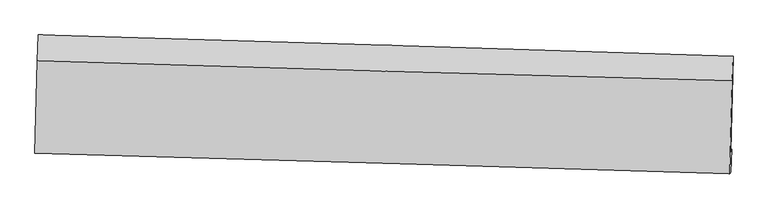
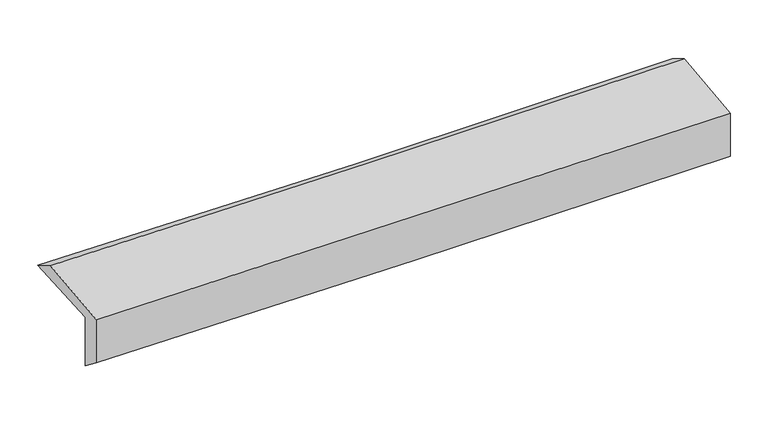
"""IFC4 building model written with IfcOpenShell, lengths in millimetres: proxy geometry."""

from ifc_helpers import new_model, si_unit, frame, origin, place, context, project, spatial, source, transform, mapped, element, save
from ifc_brep_helpers import plane_surface, spline_curve, spline_surface, advanced_brep


def generic_models_08730d0c(model_context):
    return source(origin(), model_context, "Body", "AdvancedBrep", [
        advanced_brep(
        [(-2436.6077254, -1726.2591066, 2005.451288), (-2419.8304472, -1056.5288244, 2019.6947916), (2421.8944584, -1204.9404752, 2110.0437126), (2404.6238811, -1869.7018367, 2095.8945971), (-2428.7899748, -1708.0698173, 1591.1746055), (2412.3478944, -1851.7306427, 1686.5852216), (-2435.1143746, -1869.5363495, 1716.1333873), (2405.9757823, -2013.0357674, 1806.2994406), (-2441.8746564, -1880.4324581, 2081.2945893), (2399.2662349, -2023.8578551, 2168.9759595), (-2426.3553519, -1237.645719, 2127.8029584), (2415.5083775, -1376.1195872, 2215.8544144)],
        [
            (0, 1),
            (1, 2, spline_curve(3, [(-2419.8304472, -1056.5288244, 2019.6947916), (-1609.260388813, -1078.722223896, 2022.457012417), (-798.84077925, -1102.242818824, 2031.423533621), (815.065069738, -1151.735007749, 2061.640995553), (1618.553762067, -1177.684963126, 2082.790781498), (2421.8944584, -1204.9404752, 2110.0437126)], [4, 2, 4], [0.0, 7.97998677166431, 15.894653220805038])),
            (2, 3),
            (3, 0, spline_curve(3, [(2404.6238811, -1869.7018367, 2095.8945971), (1601.319772951, -1845.049317276, 2068.588165755), (797.890220989, -1820.816887545, 2047.403718562), (-815.851568686, -1772.995681261, 2017.154481629), (-1626.165885716, -1749.413867871, 2008.191159002), (-2436.6077254, -1726.2591066, 2005.451288)], [4, 2, 4], [0.0, 7.914666449140729, 15.894653220805038])),
            (4, 0),
            (3, 5),
            (5, 4, spline_curve(3, [(2412.3478944, -1851.7306427, 1686.5852216), (1609.02801668, -1827.114813684, 1660.114445378), (805.598294977, -1802.882778758, 1638.938996024), (-808.11250753, -1754.989475962, 1607.047691161), (-1618.395408824, -1731.334569119, 1596.419601788), (-2428.7899748, -1708.0698173, 1591.1746055)], [4, 2, 4], [0.0, 7.914110497763972, 15.89353672974405])),
            (6, 4),
            (5, 7),
            (7, 6, spline_curve(3, [(2405.9757823, -2013.0357674, 1806.2994406), (1602.566824801, -1988.737966718, 1785.755396915), (799.09632353, -1964.678939722, 1767.988954174), (-814.599375615, -1916.841842781, 1737.887566615), (-1624.825593108, -1893.067730624, 1725.59865813), (-2435.1143746, -1869.5363495, 1716.1333873)], [4, 2, 4], [0.0, 7.913872902075213, 15.893059577471892])),
            (8, 6),
            (7, 9),
            (9, 8, spline_curve(3, [(2399.2662349, -2023.8578551, 2168.9759595), (1595.802807694, -1999.646585342, 2151.332495531), (792.300766654, -1975.637119372, 2135.227661169), (-821.412224, -1927.825309048, 2105.975036076), (-1631.623813008, -1904.026309309, 2092.852746908), (-2441.8746564, -1880.4324581, 2081.2945893)], [4, 2, 4], [0.0, 7.913666101288252, 15.89264426915591])),
            (10, 8),
            (9, 11),
            (11, 10, spline_curve(3, [(2415.5083775, -1376.1195872, 2215.8544144), (1611.882276876, -1354.400574072, 2198.028614997), (808.238822354, -1332.051600474, 2181.801651085), (-805.715466333, -1285.904085297, 2152.424666094), (-1616.026588268, -1262.095102927, 2139.301144865), (-2426.3553519, -1237.645719, 2127.8029584)], [4, 2, 4], [0.0, 7.9141266321441375, 15.893569131662602])),
            (1, 10),
            (11, 2),
        ],
        [
            spline_surface(3, 3, [[(-2436.6077254, -1726.2591066, 2005.451288), (-1626.165885611, -1749.413867944, 2008.191158959), (-815.851568704, -1772.995681388, 2017.154481565), (797.890221006, -1820.81688742, 2047.403718625), (1601.319772905, -1845.049317354, 2068.588165717), (2404.6238811, -1869.7018367, 2095.8945971)], [(-2431.015299336, -1503.015679211, 2010.199122556), (-1620.530720006, -1525.849986601, 2012.946443433), (-810.181305541, -1549.411393891, 2021.910832204), (803.615170582, -1597.78959421, 2052.149477611), (1607.064435931, -1622.594532594, 2073.322370966), (2410.380740188, -1648.114716202, 2100.610968939)], [(-2425.422873264, -1279.772251789, 2014.946957044), (-1614.895554392, -1302.286105225, 2017.701727839), (-804.511042394, -1325.827106337, 2026.667182898), (809.340120142, -1374.762300942, 2056.895236651), (1612.809098992, -1400.139747828, 2078.056576197), (2416.137599312, -1426.527595698, 2105.327340761)], [(-2419.8304472, -1056.5288244, 2019.6947916), (-1609.260388788, -1078.722223881, 2022.457012313), (-798.840779231, -1102.242818841, 2031.423533536), (815.065069718, -1151.735007732, 2061.640995636), (1618.553762018, -1177.684963068, 2082.790781446), (2421.8944584, -1204.9404752, 2110.0437126)]], [4, 4], [4, 2, 4], [0.0, 2.1991265024652], [0.0, 7.97998677166431, 15.894653220805038]),
            spline_surface(3, 3, [[(-2428.7899748, -1708.0698173, 1591.1746055), (-1618.395408841, -1731.334569027, 1596.419601876), (-808.112507529, -1754.989475916, 1607.047691171), (805.598294976, -1802.882778804, 1638.938996014), (1609.028016687, -1827.114813745, 1660.11444538), (2412.3478944, -1851.7306427, 1686.5852216)], [(-2431.39589166, -1714.132913717, 1729.266833005), (-1620.985567757, -1737.361001983, 1733.676787575), (-810.692194595, -1760.99154438, 1743.749954635), (803.028936979, -1808.860814982, 1775.09390355), (1606.458602092, -1833.092981608, 1796.272352145), (2409.773223299, -1857.721040693, 1823.021680086)], [(-2434.00180854, -1720.196010183, 1867.359060495), (-1623.575726694, -1743.387434989, 1870.93397326), (-813.271881638, -1766.993612924, 1880.452218101), (800.459579003, -1814.838851242, 1911.248811089), (1603.8891875, -1839.071149491, 1932.430258951), (2407.198552201, -1863.711438707, 1959.458138614)], [(-2436.6077254, -1726.2591066, 2005.451288), (-1626.165885611, -1749.413867944, 2008.191158959), (-815.851568704, -1772.995681388, 2017.154481565), (797.890221006, -1820.81688742, 2047.403718625), (1601.319772905, -1845.049317354, 2068.588165717), (2404.6238811, -1869.7018367, 2095.8945971)]], [4, 4], [4, 2, 4], [0.0, 1.3443558508908422], [0.0, 7.979426231980077, 15.89353672974405]),
            spline_surface(3, 3, [[(-2435.1143746, -1869.5363495, 1716.1333873), (-1624.825593116, -1893.067730542, 1725.598658106), (-814.599375508, -1916.841842858, 1737.887566511), (799.096323424, -1964.678939646, 1767.988954278), (1602.566824768, -1988.73796665, 1785.755396997), (2405.9757823, -2013.0357674, 1806.2994406)], [(-2433.006241325, -1815.7141721, 1674.480460015), (-1622.68219835, -1839.156676704, 1682.538972678), (-812.437086193, -1862.891053891, 1694.274274751), (801.263647264, -1910.746886045, 1724.972301543), (1604.72055543, -1934.863582344, 1743.875079804), (2408.099819689, -1959.267392495, 1766.394700946)], [(-2430.898108075, -1761.8919947, 1632.827532785), (-1620.538803607, -1785.245622865, 1639.479287304), (-810.274796845, -1808.940264883, 1650.660982931), (803.430971136, -1856.814832404, 1681.955648748), (1606.874286025, -1880.989198052, 1701.994762572), (2410.223857011, -1905.499017605, 1726.489961254)], [(-2428.7899748, -1708.0698173, 1591.1746055), (-1618.395408841, -1731.334569027, 1596.419601876), (-808.112507529, -1754.989475916, 1607.047691171), (805.598294976, -1802.882778804, 1638.938996014), (1609.028016687, -1827.114813745, 1660.11444538), (2412.3478944, -1851.7306427, 1686.5852216)]], [4, 4], [4, 2, 4], [0.0, 0.681253595073274], [0.0, 7.9791866753966785, 15.893059577471892]),
            spline_surface(3, 3, [[(-2441.8746564, -1880.4324581, 2081.2945893), (-1631.623813126, -1904.026309263, 2092.85274697), (-821.412223892, -1927.825308995, 2105.975036109), (792.300766548, -1975.637119424, 2135.227661137), (1595.802807736, -1999.646585333, 2151.332495441), (2399.2662349, -2023.8578551, 2168.9759595)], [(-2439.621229146, -1876.800421922, 1959.574188634), (-1629.357739802, -1900.373449711, 1970.434717349), (-819.141274414, -1924.164153613, 1983.27921291), (794.56595219, -1971.984392828, 2012.814758851), (1598.057480069, -1996.010379105, 2029.473462636), (2401.502750689, -2020.250492532, 2048.083786543)], [(-2437.367801854, -1873.168385678, 1837.853787966), (-1627.091666439, -1896.720590094, 1848.016687727), (-816.870324986, -1920.50299824, 1860.58338971), (796.831137782, -1968.331666242, 1890.401856564), (1600.312152435, -1992.374172879, 1907.614429802), (2403.739266511, -2016.643129968, 1927.191613557)], [(-2435.1143746, -1869.5363495, 1716.1333873), (-1624.825593116, -1893.067730542, 1725.598658106), (-814.599375508, -1916.841842858, 1737.887566511), (799.096323424, -1964.678939646, 1767.988954278), (1602.566824768, -1988.73796665, 1785.755396997), (2405.9757823, -2013.0357674, 1806.2994406)]], [4, 4], [4, 2, 4], [0.0, 1.206998319751736], [0.0, 7.978978167867659, 15.89264426915591]),
            spline_surface(3, 3, [[(-2426.3553519, -1237.645719, 2127.8029584), (-1616.026588357, -1262.095103007, 2139.301144927), (-805.71546641, -1285.904085418, 2152.424666169), (808.238822431, -1332.051600355, 2181.801651011), (1611.882276941, -1354.400574015, 2198.028615105), (2415.5083775, -1376.1195872, 2215.8544144)], [(-2431.528453414, -1451.907965352, 2112.30016869), (-1621.225663294, -1476.072171744, 2123.818345599), (-810.947718895, -1499.877826601, 2136.941456124), (802.926137146, -1546.580106702, 2166.276987695), (1606.52245386, -1569.482577787, 2182.463241855), (2410.094329954, -1592.032343166, 2200.228262737)], [(-2436.701554886, -1666.170211748, 2096.79737901), (-1626.424738189, -1690.049240526, 2108.335546299), (-816.179971408, -1713.851567812, 2121.458246153), (797.613451833, -1761.108613077, 2150.752324453), (1601.162630817, -1784.564581561, 2166.897868691), (2404.680282446, -1807.945099134, 2184.602111163)], [(-2441.8746564, -1880.4324581, 2081.2945893), (-1631.623813126, -1904.026309263, 2092.85274697), (-821.412223892, -1927.825308995, 2105.975036109), (792.300766548, -1975.637119424, 2135.227661137), (1595.802807736, -1999.646585333, 2151.332495441), (2399.2662349, -2023.8578551, 2168.9759595)]], [4, 4], [4, 2, 4], [0.0, 2.114899274427617], [0.0, 7.9794424995184645, 15.893569131662602]),
            spline_surface(3, 3, [[(-2419.8304472, -1056.5288244, 2019.6947916), (-1609.260388788, -1078.722223881, 2022.457012313), (-798.840779231, -1102.242818841, 2031.423533536), (815.065069718, -1151.735007732, 2061.640995636), (1618.553762018, -1177.684963068, 2082.790781446), (2421.8944584, -1204.9404752, 2110.0437126)], [(-2422.005415418, -1116.901122599, 2055.730847199), (-1611.515788629, -1139.846516922, 2061.405056517), (-801.132341637, -1163.46324104, 2071.757244437), (812.789653943, -1211.840538613, 2101.694547451), (1616.329933674, -1236.590166728, 2121.20339268), (2419.765764782, -1262.000179212, 2145.313946548)], [(-2424.180383682, -1177.273420801, 2091.766902801), (-1613.771188515, -1200.970809967, 2100.353100723), (-803.423904004, -1224.683663219, 2112.090955268), (810.514238206, -1271.946069474, 2141.748099196), (1614.106105285, -1295.495370354, 2159.616003871), (2417.637071118, -1319.059883188, 2180.584180452)], [(-2426.3553519, -1237.645719, 2127.8029584), (-1616.026588357, -1262.095103007, 2139.301144927), (-805.71546641, -1285.904085418, 2152.424666169), (808.238822431, -1332.051600355, 2181.801651011), (1611.882276941, -1354.400574015, 2198.028615105), (2415.5083775, -1376.1195872, 2215.8544144)]], [4, 4], [4, 2, 4], [0.0, 0.7166393690975914], [0.0, 7.980178210259299, 15.89503453097102]),
            plane_surface(frame((2409.9361048, -1723.2310274, 2013.9422243), z_axis=(0.9994961457374612, -0.026343861070009765, 0.017704678474458734), x_axis=(0.018488696060048077, 0.029821130900704363, -0.9993842445575187))),
            plane_surface(frame((-2431.4287551, -1579.7453791, 1923.5919367), z_axis=(-0.999519436096435, 0.02541617000135665, -0.017745849315461883), x_axis=(-0.025037283657940237, -0.9994605118874373, -0.021256048662290576))),
        ],
        [
            (0, [[1, 2, 3, 4]]),
            (1, [[5, -4, 6, 7]]),
            (2, [[8, -7, 9, 10]]),
            (3, [[11, -10, 12, 13]]),
            (4, [[14, -13, 15, 16]]),
            (5, [[17, -16, 18, -2]]),
            (6, [[-12, -9, -6, -3, -18, -15]]),
            (7, [[-1, -5, -8, -11, -14, -17]]),
        ],
    ),
    ])


if __name__ == "__main__":
    model = new_model("IFC4")
    model_context = context("Model", 3, world=origin())
    ifc_project = project(units=[si_unit("LENGTHUNIT", "METRE", prefix="MILLI")], contexts=[model_context])
    site = spatial("IfcSite", under=ifc_project)
    building = spatial("IfcBuilding", under=site)
    placement = place(None, origin())
    generic_models_shape = generic_models_08730d0c(model_context)
    element("IfcBuildingElementProxy", 1, Name="Generic Models", at=placement, inside=building, context=model_context, shape_type="MappedRepresentation", body=[
        mapped(generic_models_shape, transform((0.0, 0.0, 0.0), x_axis=(1.0, 0.0, 0.0), y_axis=(0.0, 1.0, 0.0), z_axis=(0.0, 0.0, 1.0))),
    ])
    save(model, "model.ifc")
